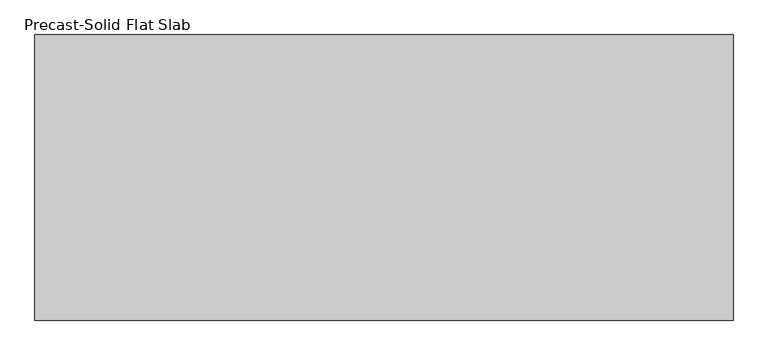
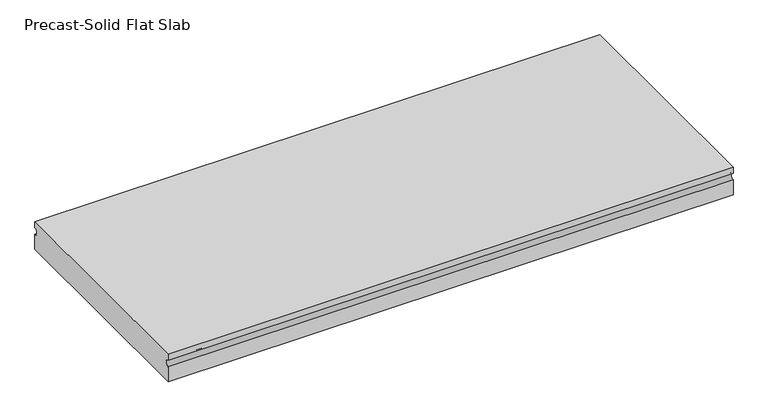
"""IFC4 building model written with IfcOpenShell, lengths in millimetres: beam geometry, Precast-Solid Flat Slab."""

from ifc_helpers import new_model, si_unit, point, frame, frame_2d, origin, place, context, project, spatial, polyline, circle_curve, trimmed, segment, composite_curve, outline, extrude, source, transform, mapped, element, save


def precast_solid_flat_slab_5ddc9e68(model_context):
    return source(origin(), model_context, "Body", "SweptSolid", [
        extrude(outline(composite_curve([segment(polyline([(-304.8, 38.1), (304.8, 38.1), (304.8, 22.225)]), True, "CONTINUOUS"), segment(trimmed(circle_curve(frame_2d((304.8, 12.7)), 9.525), [point((304.8, 22.225))], [point((304.8, 3.175))], True, "CARTESIAN"), True, "CONTINUOUS"), segment(polyline([(304.8, 3.175), (304.8, -38.1), (-304.8, -38.1), (-304.8, 3.175)]), True, "CONTINUOUS"), segment(trimmed(circle_curve(frame_2d((-304.8, 12.7)), 9.525), [point((-304.8, 3.175))], [point((-304.8, 22.225))], True, "CARTESIAN"), True, "CONTINUOUS"), segment(polyline([(-304.8, 22.225), (-304.8, 38.1)]), True, "CONTINUOUS")], self_intersect=False)), frame((-745.0832031, 0.0, 0.0), z_axis=(1.0, 0.0, 0.0), x_axis=(0.0, 1.0, 0.0)), (0.0, 0.0, 1.0), 1490.1664062),
    ])


if __name__ == "__main__":
    model = new_model("IFC4")
    model_context = context("Model", 3, world=origin())
    ifc_project = project(units=[si_unit("LENGTHUNIT", "METRE", prefix="MILLI")], contexts=[model_context])
    site = spatial("IfcSite", under=ifc_project)
    building = spatial("IfcBuilding", under=site)
    placement = place(None, origin())
    precast_solid_flat_slab_shape = precast_solid_flat_slab_5ddc9e68(model_context)
    element("IfcBeam", 1, ObjectType="Precast-Solid Flat Slab", at=placement, inside=building, context=model_context, shape_type="MappedRepresentation", body=[
        mapped(precast_solid_flat_slab_shape, transform((0.0, 0.0, 0.0), x_axis=(1.0, 0.0, 0.0), y_axis=(0.0, 1.0, 0.0), z_axis=(0.0, 0.0, 1.0))),
    ])
    save(model, "model.ifc")
